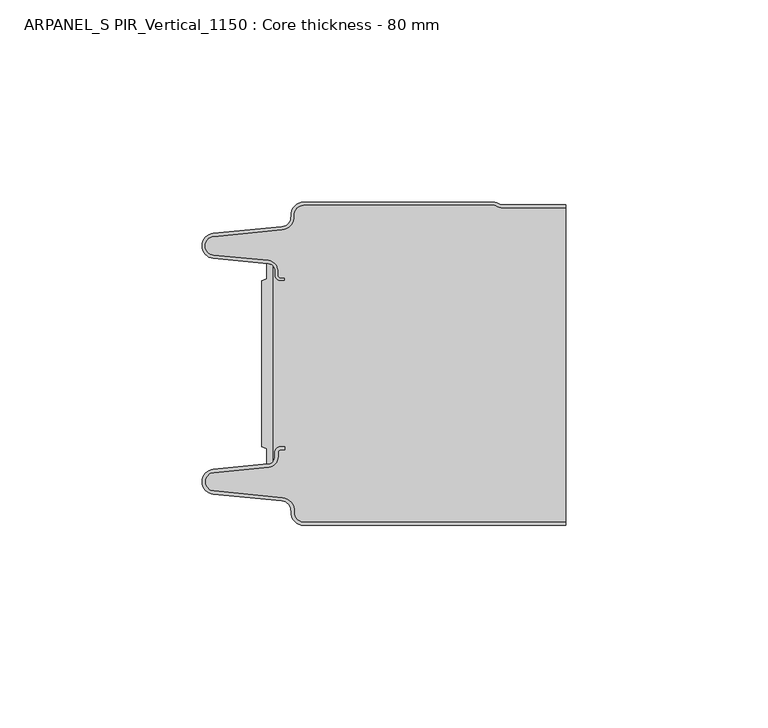
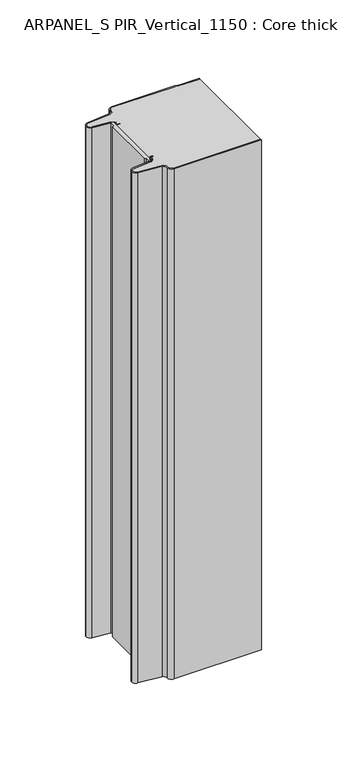
"""IFC4 building model written with IfcOpenShell, lengths in millimetres: plate geometry, ARPANEL_S PIR_Vertical_1150 : Core thickness - 80 mm."""

import ifcopenshell
import ifcopenshell.guid

model = None  # the IFC model being written
_history = None  # IfcOwnerHistory: only IFC2X3 demands one
_inside = {}  # id of a spatial element -> (the spatial element, [elements in it])
_under = {}  # id of a project, library or spatial element -> (it, [spatial elements below it])
_declared = {}  # id of a project -> (the project, [libraries it declares])
_typed = {}  # id of a type object -> (the type object, [elements of that type])
_made_of = {}  # id of a material, layer set ... -> (it, [elements and type objects made of it])


def new_model(schema):
    """Start an empty IFC model of exactly this schema.

    Asked for "IFC4X3", IfcOpenShell would pick the latest addendum, in which some entities
    have other attributes; the version numbers below select the first issue.
    IFC2X3 requires an IfcOwnerHistory on every rooted entity: one is made here for all.
    """
    global model, _history
    if schema == "IFC4X3":
        model = ifcopenshell.file(schema_version=(4, 3, 0, 0))
    else:
        model = ifcopenshell.file(schema=schema)
    _inside.clear()
    _under.clear()
    _declared.clear()
    _typed.clear()
    _made_of.clear()
    _history = None
    if model.schema == "IFC2X3":
        org = make("IfcOrganization", Name="unknown")
        user = make(
            "IfcPersonAndOrganization",
            ThePerson=make("IfcPerson", FamilyName="unknown"),
            TheOrganization=org,
        )
        app = make(
            "IfcApplication",
            ApplicationDeveloper=org,
            Version="unknown",
            ApplicationFullName="unknown",
            ApplicationIdentifier="unknown",
        )
        _history = make(
            "IfcOwnerHistory",
            OwningUser=user,
            OwningApplication=app,
            ChangeAction="ADDED",
            CreationDate=0,
        )
    return model


def make(cls, **values):
    """One entity of the class cls with the attributes given. An attribute that is None is left unset."""
    return model.create_entity(
        cls, **{name: value for name, value in values.items() if value is not None}
    )


def rooted(cls, **values):
    """An entity with a GlobalId (a new one), such as an element, a storey or a relation."""
    return make(cls, GlobalId=ifcopenshell.guid.new(), OwnerHistory=_history, **values)


def si_unit(unit_type, name, prefix=None):
    """IfcSIUnit, for example si_unit("LENGTHUNIT", "METRE", prefix="MILLI")."""
    return make("IfcSIUnit", UnitType=unit_type, Prefix=prefix, Name=name)


def assignment(units):
    """IfcUnitAssignment: the units of a project."""
    return None if units is None else make("IfcUnitAssignment", Units=units)


def point(xyz):
    """IfcCartesianPoint."""
    return None if xyz is None else make("IfcCartesianPoint", Coordinates=xyz)


def direction(xyz):
    """IfcDirection."""
    return None if xyz is None else make("IfcDirection", DirectionRatios=xyz)


def frame(location, z_axis=None, x_axis=None):
    """IfcAxis2Placement3D, a coordinate frame: its origin and axes. An axis left out is left unset."""
    return make(
        "IfcAxis2Placement3D",
        Location=point(location),
        Axis=direction(z_axis),
        RefDirection=direction(x_axis),
    )


def frame_2d(location, x_axis=None):
    """IfcAxis2Placement2D, a coordinate frame in the plane: its origin and x axis."""
    return make(
        "IfcAxis2Placement2D", Location=point(location), RefDirection=direction(x_axis)
    )


def origin():
    """The frame at (0, 0, 0) with its axes left unset."""
    return frame((0.0, 0.0, 0.0))


def origin_with_axes():
    """The frame at (0, 0, 0) with the z axis (0, 0, 1) and the x axis (1, 0, 0) written out."""
    return frame((0.0, 0.0, 0.0), z_axis=(0.0, 0.0, 1.0), x_axis=(1.0, 0.0, 0.0))


def place(relative_to, where):
    """IfcLocalPlacement: puts the frame where relative to a parent placement (None: the world)."""
    return make(
        "IfcLocalPlacement", PlacementRelTo=relative_to, RelativePlacement=where
    )


def context(
    kind, dimensions, precision=None, world=None, true_north=None, identifier=None
):
    """IfcGeometricRepresentationContext, for example the 3D "Model" context."""
    return make(
        "IfcGeometricRepresentationContext",
        ContextIdentifier=identifier,
        ContextType=kind,
        CoordinateSpaceDimension=dimensions,
        Precision=precision,
        WorldCoordinateSystem=world,
        TrueNorth=true_north,
    )


def project(units=None, contexts=None):
    """IfcProject with its units and contexts."""
    return rooted(
        "IfcProject",
        Name="project",
        RepresentationContexts=contexts,
        UnitsInContext=assignment(units),
    )


def spatial(cls, under=None, at=None, **own):
    """A site, building, storey or space (cls), placed at a placement, below another one or the project."""
    s = rooted(cls, ObjectPlacement=at, **own)
    if under is not None:
        _under.setdefault(under.id(), (under, []))[1].append(s)
    return s


def polyline(points):
    """IfcPolyline through the points."""
    return make("IfcPolyline", Points=[point(p) for p in points])


def circle_curve(where, radius):
    """IfcCircle in the frame where."""
    return make("IfcCircle", Position=where, Radius=radius)


def trimmed(basis, trim1, trim2, sense, master):
    """IfcTrimmedCurve: the piece of a basis curve between two trims."""
    return make(
        "IfcTrimmedCurve",
        BasisCurve=basis,
        Trim1=trim1,
        Trim2=trim2,
        SenseAgreement=sense,
        MasterRepresentation=master,
    )


def segment(curve, same_sense, transition):
    """IfcCompositeCurveSegment."""
    return make(
        "IfcCompositeCurveSegment",
        Transition=transition,
        SameSense=same_sense,
        ParentCurve=curve,
    )


def composite_curve(segments, self_intersect=None):
    """IfcCompositeCurve: segments joined end to end."""
    return make("IfcCompositeCurve", Segments=segments, SelfIntersect=self_intersect)


def outline(outer, holes=None, kind="AREA"):
    """IfcArbitraryClosedProfileDef: a profile drawn as a closed curve; with holes, ...WithVoids."""
    if holes is None:
        return make("IfcArbitraryClosedProfileDef", ProfileType=kind, OuterCurve=outer)
    return make(
        "IfcArbitraryProfileDefWithVoids",
        ProfileType=kind,
        OuterCurve=outer,
        InnerCurves=holes,
    )


def extrude(swept, where, along, depth):
    """IfcExtrudedAreaSolid: the profile swept, set in the frame where, extruded along a direction by depth."""
    return make(
        "IfcExtrudedAreaSolid",
        SweptArea=swept,
        Position=where,
        ExtrudedDirection=direction(along),
        Depth=depth,
    )


def shape(context_of_items, identifier, shape_type, items):
    """IfcShapeRepresentation: the items that make up one representation, for example the "Body"."""
    return make(
        "IfcShapeRepresentation",
        ContextOfItems=context_of_items,
        RepresentationIdentifier=identifier,
        RepresentationType=shape_type,
        Items=items,
    )


def source(mapping_origin, context_of_items, identifier, shape_type, items):
    """IfcRepresentationMap: a shape defined once, which mapped items show again and again."""
    return make(
        "IfcRepresentationMap",
        MappingOrigin=mapping_origin,
        MappedRepresentation=shape(context_of_items, identifier, shape_type, items),
    )


def transform(
    local_origin,
    x_axis=None,
    y_axis=None,
    z_axis=None,
    scale=None,
    scale2=None,
    scale3=None,
    uniform=True,
):
    """IfcCartesianTransformationOperator3D, or its non-uniform kind. x_axis, y_axis, z_axis: its Axis1, 2, 3."""
    if uniform:
        return make(
            "IfcCartesianTransformationOperator3D",
            Axis1=direction(x_axis),
            Axis2=direction(y_axis),
            LocalOrigin=point(local_origin),
            Scale=scale,
            Axis3=direction(z_axis),
        )
    return make(
        "IfcCartesianTransformationOperator3DnonUniform",
        Axis1=direction(x_axis),
        Axis2=direction(y_axis),
        LocalOrigin=point(local_origin),
        Scale=scale,
        Axis3=direction(z_axis),
        Scale2=scale2,
        Scale3=scale3,
    )


def mapped(mapping_source, mapping_target):
    """IfcMappedItem: shows the shape of a source again, moved by a transform."""
    return make(
        "IfcMappedItem", MappingSource=mapping_source, MappingTarget=mapping_target
    )


def made_of(thing, what):
    """Note that an element or type object is made of a material, layer set ...; save() writes the relation."""
    if what is not None:
        _made_of.setdefault(what.id(), (what, []))[1].append(thing)
    return thing


def element(
    cls,
    number,
    at=None,
    inside=None,
    cuts=None,
    type_object=None,
    material=None,
    context=None,
    identifier="Body",
    shape_type=None,
    held_by="IfcProductDefinitionShape",
    body=None,
    shapes=None,
    **own,
):
    """One element of the class cls, such as IfcWall. Its Tag is "e" and its number.

    at: its placement. inside: the storey or other place that contains it. cuts: it is an
    opening in that element (IfcRelVoidsElement). A single representation is given by context,
    identifier, shape_type and body (its items); several are given by shapes. held_by: the class
    of the entity that holds the representations. save() writes the other relations.
    """
    e = rooted(cls, Tag="e%d" % number, ObjectPlacement=at, **own)
    if body is not None:
        shapes = [shape(context, identifier, shape_type, body)]
    if shapes is not None:
        e.Representation = make(held_by, Representations=shapes)
    if inside is not None:
        _inside.setdefault(inside.id(), (inside, []))[1].append(e)
    if cuts is not None:
        rooted(
            "IfcRelVoidsElement", RelatingBuildingElement=cuts, RelatedOpeningElement=e
        )
    if type_object is not None:
        _typed.setdefault(type_object.id(), (type_object, []))[1].append(e)
    return made_of(e, material)


def aggregate(whole, parts):
    """IfcRelAggregates: a whole, such as a stair, and the parts it consists of."""
    return rooted("IfcRelAggregates", RelatingObject=whole, RelatedObjects=parts)


def save(model, path):
    """Write the relations noted so far, then the file.

    IfcRelAggregates (storeys below a building ...), IfcRelContainedInSpatialStructure (elements
    in a storey), IfcRelDefinesByType, IfcRelAssociatesMaterial and IfcRelDeclares: one each for
    every whole, place, type object, material and project.
    """
    for whole, parts in _under.values():
        aggregate(whole, parts)
    for where, things in _inside.values():
        rooted(
            "IfcRelContainedInSpatialStructure",
            RelatedElements=things,
            RelatingStructure=where,
        )
    for kind, things in _typed.values():
        rooted("IfcRelDefinesByType", RelatedObjects=things, RelatingType=kind)
    for what, things in _made_of.values():
        rooted("IfcRelAssociatesMaterial", RelatedObjects=things, RelatingMaterial=what)
    for by, libraries in _declared.values():
        rooted("IfcRelDeclares", RelatingContext=by, RelatedDefinitions=libraries)
    model.write(path)


def plane_surface(at):
    """IfcPlane: the flat surface through the origin of the frame at, square to its z axis."""
    return make("IfcPlane", Position=at)


def cylinder_surface(at, radius):
    """IfcCylindricalSurface: all points at the distance radius from the z axis of the frame at."""
    return make("IfcCylindricalSurface", Position=at, Radius=radius)


def revolved_surface(curve, axis_point, axis_direction):
    """IfcSurfaceOfRevolution: the curve turned about the line through axis_point along axis_direction."""
    return make(
        "IfcSurfaceOfRevolution",
        SweptCurve=make("IfcArbitraryOpenProfileDef", ProfileType="CURVE", Curve=curve),
        AxisPosition=make("IfcAxis1Placement", Location=point(axis_point), Axis=direction(axis_direction)),
    )


def advanced_brep(points, edges, surfaces, faces):
    """IfcAdvancedBrep: a solid bounded by faces that lie on surfaces and meet in shared edges.

    An edge is (start, end): straight between two places in points (the first is 0);
    or (start, end, curve); or (start, end, curve, False) where it runs against its curve.
    A face is (place in surfaces, loops), or (place, loops, False) where it looks against
    its surface's normal. A loop lists edges by number (the first is 1), with a minus sign
    where the edge is run from its end to its start. The first loop is the outer one.
    """
    corners = [point(p) for p in points]
    vertices = [make("IfcVertexPoint", VertexGeometry=c) for c in corners]
    made = []
    for start, end, *more in edges:
        made.append(
            make(
                "IfcEdgeCurve",
                EdgeStart=vertices[start],
                EdgeEnd=vertices[end],
                EdgeGeometry=more[0] if more else make("IfcPolyline", Points=[corners[start], corners[end]]),
                SameSense=more[1] if len(more) > 1 else True,
            )
        )
    hull = []
    for where, loops, *sense in faces:
        bounds = []
        for j, loop in enumerate(loops):
            ring = [make("IfcOrientedEdge", EdgeElement=made[abs(k) - 1], Orientation=k > 0) for k in loop]
            bounds.append(
                make(
                    "IfcFaceOuterBound" if j == 0 else "IfcFaceBound",
                    Bound=make("IfcEdgeLoop", EdgeList=ring),
                    Orientation=True,
                )
            )
        hull.append(make("IfcAdvancedFace", Bounds=bounds, FaceSurface=surfaces[where], SameSense=sense[0] if sense else True))
    return make("IfcAdvancedBrep", Outer=make("IfcClosedShell", CfsFaces=hull))


def arpanel_s_pir_vertical_1150_core_thickness_80_mm_38085c32(model_context):
    return source(origin(), model_context, "Body", "SolidModel", [
        extrude(outline(composite_curve([segment(polyline([(-30.2854621, -19.4639745), (-29.0682893, -19.0209598), (-29.0682893, -15.20918)]), True, "CONTINUOUS"), segment(trimmed(circle_curve(frame_2d((-28.9194754, -17.302662)), 2.0987645), [point((-29.0682893, -15.20918))], [point((-27.4659308, -15.7887199))], False, "CARTESIAN"), True, "CONTINUOUS"), segment(polyline([(-27.4659308, -15.7887199), (-27.4659308, -64.2112801)]), True, "CONTINUOUS"), segment(trimmed(circle_curve(frame_2d((-28.9194754, -62.697338)), 2.0987645), [point((-27.4659308, -64.2112801))], [point((-29.0682893, -64.79082))], False, "CARTESIAN"), True, "CONTINUOUS"), segment(polyline([(-29.0682893, -64.79082), (-29.0682893, -60.9790402), (-30.2854621, -60.5360255), (-30.2854621, -19.4639745)]), True, "CONTINUOUS")], self_intersect=False)), origin_with_axes(), (0.0, 0.0, 1.0), 400.0),
        advanced_brep(
        [(-19.8000003, -79.9996949, 0.0), (-22.9923632, -76.5787437, 0.0), (-25.2560431, -73.9171154, 0.0), (-42.2115315, -72.2546153, 0.0), (-44.9999998, -69.1776715, 0.0), (-42.2115315, -66.1007278, 0.0), (-28.6195785, -64.7680252, 0.0), (-26.9952277, -62.9766159, 0.0), (-26.9952277, -61.8996949, 0.0), (-25.5952277, -60.4996949, 0.0), (-24.4952277, -60.4996949, 0.0), (-24.4952277, -61.2996949, 0.0), (-25.5952277, -61.2996949, 0.0), (-26.1952277, -61.8996949, 0.0), (-26.1952277, -62.9766159, 0.0), (-28.5415122, -65.5642071, 0.0), (-42.1334652, -66.8969097, 0.0), (-44.1999997, -69.1776715, 0.0), (-42.1334652, -71.4584333, 0.0), (-25.1779767, -73.1209335, 0.0), (-22.2078761, -76.6330399, 0.0), (-19.8000003, -79.1996949, 0.0), (44.9999998, -79.2, 0.0), (44.9999998, -79.9996949, 0.0), (-19.8000003, -79.1996949, 400.0), (-22.1942724, -76.6339815, 400.0), (-25.1779767, -73.1209335, 400.0), (-42.1334652, -71.4584333, 400.0), (-44.1999997, -69.1776715, 400.0), (-42.1334652, -66.8969097, 400.0), (-28.5415122, -65.5642071, 400.0), (-26.1952277, -62.9766159, 400.0), (-26.1952277, -61.8996949, 400.0), (-25.5952277, -61.2996949, 400.0), (-24.4952277, -61.2996949, 400.0), (-24.4952277, -60.4996949, 400.0), (-25.5952277, -60.4996949, 400.0), (-26.9952277, -61.8996949, 400.0), (-26.9952277, -62.9766159, 400.0), (-28.6195785, -64.7680252, 400.0), (-42.2115315, -66.1007278, 400.0), (-44.9999998, -69.1776715, 400.0), (-42.2115315, -72.2546153, 400.0), (-25.2560431, -73.9171154, 400.0), (-23.0059668, -76.5778021, 400.0), (-19.8000003, -79.9996949, 400.0), (44.9999998, -79.9996949, 400.0), (44.9999998, -79.2, 400.0)],
        [
            (0, 1, circle_curve(frame((-19.8000003, -76.7996949, 0.0), z_axis=(0.0, 0.0, -1.0), x_axis=(1.0, 0.0, 0.0)), 3.2)),
            (1, 2, circle_curve(frame((-25.5000003, -76.4051839, 0.0), z_axis=(0.0, 0.0, 1.0), x_axis=(1.0, 0.0, 0.0)), 2.5)),
            (2, 3),
            (3, 4, circle_curve(frame((-41.9100003, -69.1793626, 0.0), z_axis=(0.0, 0.0, -1.0), x_axis=(1.0, 0.0, 0.0)), 3.09)),
            (4, 5, circle_curve(frame((-41.9100003, -69.1759805, 0.0), z_axis=(0.0, 0.0, -1.0), x_axis=(1.0, 0.0, 0.0)), 3.09)),
            (5, 6),
            (6, 7, circle_curve(frame((-28.7952277, -62.9766159, 0.0), z_axis=(0.0, 0.0, 1.0), x_axis=(1.0, 0.0, 0.0)), 1.8)),
            (7, 8),
            (8, 9, circle_curve(frame((-25.5952277, -61.8996949, 0.0), z_axis=(0.0, 0.0, -1.0), x_axis=(1.0, 0.0, 0.0)), 1.4)),
            (9, 10),
            (10, 11),
            (11, 12),
            (12, 13, circle_curve(frame((-25.5952277, -61.8996949, 0.0), z_axis=(0.0, 0.0, 1.0), x_axis=(1.0, 0.0, 0.0)), 0.6)),
            (13, 14),
            (14, 15, circle_curve(frame((-28.7952277, -62.9766159, 0.0), z_axis=(0.0, 0.0, -1.0), x_axis=(1.0, 0.0, 0.0)), 2.6)),
            (15, 16),
            (16, 17, circle_curve(frame((-41.9100003, -69.1759805, 0.0), z_axis=(0.0, 0.0, 1.0), x_axis=(1.0, 0.0, 0.0)), 2.29)),
            (17, 18, circle_curve(frame((-41.9100003, -69.1793626, 0.0), z_axis=(0.0, 0.0, 1.0), x_axis=(1.0, 0.0, 0.0)), 2.29)),
            (18, 19),
            (19, 20, circle_curve(frame((-25.5000003, -76.4051839, 0.0), z_axis=(0.0, 0.0, -1.0), x_axis=(1.0, 0.0, 0.0)), 3.3)),
            (20, 21, circle_curve(frame((-19.8000003, -76.7996949, 0.0), z_axis=(0.0, 0.0, 1.0), x_axis=(1.0, 0.0, 0.0)), 2.4)),
            (21, 22),
            (22, 23),
            (23, 0),
            (24, 25, circle_curve(frame((-19.8000003, -76.7996949, 400.0), z_axis=(0.0, 0.0, -1.0), x_axis=(1.0, 0.0, 0.0)), 2.4)),
            (25, 26, circle_curve(frame((-25.5000003, -76.4051839, 400.0), z_axis=(0.0, 0.0, 1.0), x_axis=(1.0, 0.0, 0.0)), 3.3)),
            (26, 27),
            (27, 28, circle_curve(frame((-41.9100003, -69.1793626, 400.0), z_axis=(0.0, 0.0, -1.0), x_axis=(1.0, 0.0, 0.0)), 2.29)),
            (28, 29, circle_curve(frame((-41.9100003, -69.1759805, 400.0), z_axis=(0.0, 0.0, -1.0), x_axis=(1.0, 0.0, 0.0)), 2.29)),
            (29, 30),
            (30, 31, circle_curve(frame((-28.7952277, -62.9766159, 400.0), z_axis=(0.0, 0.0, 1.0), x_axis=(1.0, 0.0, 0.0)), 2.6)),
            (31, 32),
            (32, 33, circle_curve(frame((-25.5952277, -61.8996949, 400.0), z_axis=(0.0, 0.0, -1.0), x_axis=(1.0, 0.0, 0.0)), 0.6)),
            (33, 34),
            (34, 35),
            (35, 36),
            (36, 37, circle_curve(frame((-25.5952277, -61.8996949, 400.0), z_axis=(0.0, 0.0, 1.0), x_axis=(1.0, 0.0, 0.0)), 1.4)),
            (37, 38),
            (38, 39, circle_curve(frame((-28.7952277, -62.9766159, 400.0), z_axis=(0.0, 0.0, -1.0), x_axis=(1.0, 0.0, 0.0)), 1.8)),
            (39, 40),
            (40, 41, circle_curve(frame((-41.9100003, -69.1759805, 400.0), z_axis=(0.0, 0.0, 1.0), x_axis=(1.0, 0.0, 0.0)), 3.09)),
            (41, 42, circle_curve(frame((-41.9100003, -69.1793626, 400.0), z_axis=(0.0, 0.0, 1.0), x_axis=(1.0, 0.0, 0.0)), 3.09)),
            (42, 43),
            (43, 44, circle_curve(frame((-25.5000003, -76.4051839, 400.0), z_axis=(0.0, 0.0, -1.0), x_axis=(1.0, 0.0, 0.0)), 2.5)),
            (44, 45, circle_curve(frame((-19.8000003, -76.7996949, 400.0), z_axis=(0.0, 0.0, 1.0), x_axis=(1.0, 0.0, 0.0)), 3.2)),
            (45, 46),
            (46, 47),
            (47, 24),
            (21, 24),
            (47, 22),
            (20, 25),
            (19, 26),
            (18, 27),
            (17, 28),
            (16, 29),
            (15, 30),
            (14, 31),
            (13, 32),
            (12, 33),
            (11, 34),
            (10, 35),
            (9, 36),
            (8, 37),
            (7, 38),
            (6, 39),
            (5, 40),
            (4, 41),
            (3, 42),
            (2, 43),
            (1, 44),
            (0, 45),
            (23, 46),
        ],
        [
            plane_surface(frame((-44.9999998, -80.0, 0.0), z_axis=(0.0, 0.0, -1.0), x_axis=(0.0, 1.0, 0.0))),
            plane_surface(frame((-44.9999998, -80.0, 400.0), z_axis=(0.0, 0.0, 1.0), x_axis=(0.0, 1.0, 0.0))),
            plane_surface(frame((-19.8000003, -79.2, 0.0), z_axis=(0.0, 1.0, 0.0), x_axis=(0.0, 0.0, 1.0))),
            revolved_surface(polyline([(-17.400000300000002, -76.7996949, 400.0), (-17.400000300000002, -76.7996949, 0.0)]), (-19.8000003, -76.7996949, 0.0), (0.0, 0.0, 1.0)),
            cylinder_surface(frame((-25.5000003, -76.4051839, 0.0), z_axis=(0.0, 0.0, -1.0), x_axis=(1.0, 0.0, 0.0)), 3.3),
            plane_surface(frame((-42.1334652, -71.4584333, 0.0), z_axis=(0.09758289975914758, 0.9952273999818314, 0.0), x_axis=(0.0, 0.0, 1.0))),
            revolved_surface(polyline([(-39.6200003, -69.1793626, 400.0), (-39.6200003, -69.1793626, 0.0)]), (-41.9100003, -69.1793626, 0.0), (0.0, 0.0, 1.0)),
            revolved_surface(polyline([(-39.6200003, -69.1759805, 400.0), (-39.6200003, -69.1759805, 0.0)]), (-41.9100003, -69.1759805, 0.0), (0.0, 0.0, 1.0)),
            plane_surface(frame((-28.5415122, -65.5642071, 0.0), z_axis=(0.09758289975914383, -0.9952273999818317, 0.0), x_axis=(0.0, 0.0, 1.0))),
            cylinder_surface(frame((-28.7952277, -62.9766159, 0.0), z_axis=(0.0, 0.0, -1.0), x_axis=(1.0, 0.0, 0.0)), 2.6),
            plane_surface(frame((-26.1952277, -61.8996949, 0.0), z_axis=(1.0, 0.0, 0.0), x_axis=(0.0, 0.0, 1.0))),
            revolved_surface(polyline([(-24.995227699999997, -61.8996949, 400.0), (-24.995227699999997, -61.8996949, 0.0)]), (-25.5952277, -61.8996949, 0.0), (0.0, 0.0, 1.0)),
            plane_surface(frame((-24.4952277, -61.2996949, 0.0), z_axis=(0.0, -1.0, 0.0), x_axis=(0.0, 0.0, 1.0))),
            plane_surface(frame((-24.4952277, -60.4996949, 0.0), z_axis=(1.0, 0.0, 0.0), x_axis=(0.0, 0.0, 1.0))),
            plane_surface(frame((-25.5952277, -60.4996949, 0.0), z_axis=(0.0, 1.0, 0.0), x_axis=(0.0, 0.0, 1.0))),
            cylinder_surface(frame((-25.5952277, -61.8996949, 0.0), z_axis=(0.0, 0.0, -1.0), x_axis=(1.0, 0.0, 0.0)), 1.4),
            plane_surface(frame((-26.9952277, -62.9766159, 0.0), z_axis=(-1.0, 0.0, 0.0), x_axis=(0.0, 0.0, 1.0))),
            revolved_surface(polyline([(-26.9952277, -62.9766159, 400.0), (-26.9952277, -62.9766159, 0.0)]), (-28.7952277, -62.9766159, 0.0), (0.0, 0.0, 1.0)),
            plane_surface(frame((-42.2115315, -66.1007278, 0.0), z_axis=(-0.09758289975914387, 0.9952273999818317, 0.0), x_axis=(0.0, 0.0, 1.0))),
            cylinder_surface(frame((-41.9100003, -69.1759805, 0.0), z_axis=(0.0, 0.0, -1.0), x_axis=(1.0, 0.0, 0.0)), 3.09),
            cylinder_surface(frame((-41.9100003, -69.1793626, 0.0), z_axis=(0.0, 0.0, -1.0), x_axis=(1.0, 0.0, 0.0)), 3.09),
            plane_surface(frame((-25.2560431, -73.9171154, 0.0), z_axis=(-0.09758289975914762, -0.9952273999818314, 0.0), x_axis=(0.0, 0.0, 1.0))),
            revolved_surface(polyline([(-23.0000003, -76.4051839, 400.0), (-23.0000003, -76.4051839, 0.0)]), (-25.5000003, -76.4051839, 0.0), (0.0, 0.0, 1.0)),
            cylinder_surface(frame((-19.8000003, -76.7996949, 0.0), z_axis=(0.0, 0.0, -1.0), x_axis=(1.0, 0.0, 0.0)), 3.2),
            plane_surface(frame((1121.009932, -79.9996949, 0.0), z_axis=(0.0, -1.0, 0.0), x_axis=(0.0, 0.0, 1.0))),
            plane_surface(frame((44.9999998, 180.0, 400.0), z_axis=(1.0, 0.0, 0.0), x_axis=(0.0, 0.0, -1.0))),
        ],
        [
            (0, [[1, 2, 3, 4, 5, 6, 7, 8, 9, 10, 11, 12, 13, 14, 15, 16, 17, 18, 19, 20, 21, 22, 23, 24]]),
            (1, [[25, 26, 27, 28, 29, 30, 31, 32, 33, 34, 35, 36, 37, 38, 39, 40, 41, 42, 43, 44, 45, 46, 47, 48]]),
            (2, [[49, -48, 50, -22]]),
            (3, [[-21, 51, -25, -49]]),
            (4, [[-20, 52, -26, -51]]),
            (5, [[-19, 53, -27, -52]]),
            (6, [[-18, 54, -28, -53]]),
            (7, [[-17, 55, -29, -54]]),
            (8, [[-16, 56, -30, -55]]),
            (9, [[-15, 57, -31, -56]]),
            (10, [[-14, 58, -32, -57]]),
            (11, [[-13, 59, -33, -58]]),
            (12, [[-12, 60, -34, -59]]),
            (13, [[-11, 61, -35, -60]]),
            (14, [[-10, 62, -36, -61]]),
            (15, [[-9, 63, -37, -62]]),
            (16, [[-8, 64, -38, -63]]),
            (17, [[-7, 65, -39, -64]]),
            (18, [[-6, 66, -40, -65]]),
            (19, [[-5, 67, -41, -66]]),
            (20, [[-4, 68, -42, -67]]),
            (21, [[-3, 69, -43, -68]]),
            (22, [[-2, 70, -44, -69]]),
            (23, [[-1, 71, -45, -70]]),
            (24, [[-71, -24, 72, -46]]),
            (25, [[-23, -50, -47, -72]]),
        ],
    ),
        advanced_brep(
        [(-26.9952277, -17.0233841, 400.0), (-27.4671027, -15.8084422, 400.0), (-27.4671027, -64.1915578, 400.0), (-26.9952277, -62.9766159, 400.0), (-26.9952277, -61.8996949, 400.0), (-25.5952277, -60.4996949, 400.0), (-24.4952277, -60.4996949, 400.0), (-24.4952277, -61.2996949, 400.0), (-25.5952277, -61.2996949, 400.0), (-26.1952277, -61.8996949, 400.0), (-26.1952277, -62.9766159, 400.0), (-28.5415122, -65.5642071, 400.0), (-42.1334652, -66.8969097, 400.0), (-44.1999997, -69.1776715, 400.0), (-42.1334652, -71.4584333, 400.0), (-25.1779767, -73.1209335, 400.0), (-22.2078761, -76.6330399, 400.0), (-19.8000003, -79.1996949, 400.0), (44.9999998, -79.2, 400.0), (44.9999998, -1.5003051, 400.0), (29.4172165, -1.5003051, 400.0), (27.9978051, -1.0971009, 400.0), (26.9454197, -0.8, 400.0), (-19.8000003, -0.8, 400.0), (-22.1942724, -3.3660185, 400.0), (-25.1779767, -6.8790665, 400.0), (-42.1334652, -8.5415667, 400.0), (-44.1999997, -10.8223285, 400.0), (-42.1334652, -13.1030903, 400.0), (-28.5415122, -14.4357929, 400.0), (-26.1952277, -17.0233841, 400.0), (-26.1952277, -18.1003051, 400.0), (-25.5952277, -18.7003051, 400.0), (-24.4952277, -18.7003051, 400.0), (-24.4952277, -19.5003051, 400.0), (-25.5952277, -19.5003051, 400.0), (-26.9952277, -18.1003051, 400.0), (-27.4671027, -15.8084422, 0.0), (-26.9952277, -17.0233841, 0.0), (-26.9952277, -18.1003051, 0.0), (-25.5952277, -19.5003051, 0.0), (-24.4952277, -19.5003051, 0.0), (-24.4952277, -18.7003051, 0.0), (-25.5952277, -18.7003051, 0.0), (-26.1952277, -18.1003051, 0.0), (-26.1952277, -17.0233841, 0.0), (-28.5415122, -14.4357929, 0.0), (-42.1334652, -13.1030903, 0.0), (-44.1999997, -10.8223285, 0.0), (-42.1334652, -8.5415667, 0.0), (-25.1779767, -6.8790665, 0.0), (-22.2078761, -3.3669601, 0.0), (-19.8000003, -0.8003051, 0.0), (26.9454197, -0.8, 0.0), (27.9968355, -1.0986697, 0.0), (29.4172165, -1.5003051, 0.0), (44.9999998, -1.5003051, 0.0), (44.9999998, -79.2, 0.0), (-19.8000003, -79.2, 0.0), (-22.1942724, -76.6339815, 0.0), (-25.1779767, -73.1209335, 0.0), (-42.1334652, -71.4584333, 0.0), (-44.1999997, -69.1776715, 0.0), (-42.1334652, -66.8969097, 0.0), (-28.5415122, -65.5642071, 0.0), (-26.1952277, -62.9766159, 0.0), (-26.1952277, -61.8996949, 0.0), (-25.5952277, -61.2996949, 0.0), (-24.4952277, -61.2996949, 0.0), (-24.4952277, -60.4996949, 0.0), (-25.5952277, -60.4996949, 0.0), (-26.9952277, -61.8996949, 0.0), (-26.9952277, -62.9766159, 0.0), (-27.4671027, -64.1915578, 0.0)],
        [
            (0, 1, circle_curve(frame((-28.7952277, -17.0233841, 400.0), z_axis=(0.0, 0.0, 1.0), x_axis=(1.0, 0.0, 0.0)), 1.8)),
            (1, 2),
            (2, 3, circle_curve(frame((-28.7952277, -62.9766159, 400.0), z_axis=(0.0, 0.0, 1.0), x_axis=(1.0, 0.0, 0.0)), 1.8)),
            (3, 4),
            (4, 5, circle_curve(frame((-25.5952277, -61.8996949, 400.0), z_axis=(0.0, 0.0, -1.0), x_axis=(1.0, 0.0, 0.0)), 1.4)),
            (5, 6),
            (6, 7),
            (7, 8),
            (8, 9, circle_curve(frame((-25.5952277, -61.8996949, 400.0), z_axis=(0.0, 0.0, 1.0), x_axis=(1.0, 0.0, 0.0)), 0.6)),
            (9, 10),
            (10, 11, circle_curve(frame((-28.7952277, -62.9766159, 400.0), z_axis=(0.0, 0.0, -1.0), x_axis=(1.0, 0.0, 0.0)), 2.6)),
            (11, 12),
            (12, 13, circle_curve(frame((-41.9100003, -69.1759805, 400.0), z_axis=(0.0, 0.0, 1.0), x_axis=(1.0, 0.0, 0.0)), 2.29)),
            (13, 14, circle_curve(frame((-41.9100003, -69.1793626, 400.0), z_axis=(0.0, 0.0, 1.0), x_axis=(1.0, 0.0, 0.0)), 2.29)),
            (14, 15),
            (15, 16, circle_curve(frame((-25.5000003, -76.4051839, 400.0), z_axis=(0.0, 0.0, -1.0), x_axis=(1.0, 0.0, 0.0)), 3.3)),
            (16, 17, circle_curve(frame((-19.8000003, -76.7996949, 400.0), z_axis=(0.0, 0.0, 1.0), x_axis=(1.0, 0.0, 0.0)), 2.4)),
            (17, 18),
            (18, 19),
            (19, 20),
            (20, 21, circle_curve(frame((29.4172165, 1.1996949, 400.0), z_axis=(0.0, 0.0, -1.0), x_axis=(1.0, 0.0, 0.0)), 2.7)),
            (21, 22, circle_curve(frame((26.9454197, -2.8, 400.0), z_axis=(0.0, 0.0, 1.0), x_axis=(1.0, 0.0, 0.0)), 2.0)),
            (22, 23),
            (23, 24, circle_curve(frame((-19.8000003, -3.2003051, 400.0), z_axis=(0.0, 0.0, 1.0), x_axis=(1.0, 0.0, 0.0)), 2.4)),
            (24, 25, circle_curve(frame((-25.5000003, -3.5948161, 400.0), z_axis=(0.0, 0.0, -1.0), x_axis=(1.0, 0.0, 0.0)), 3.3)),
            (25, 26),
            (26, 27, circle_curve(frame((-41.9100003, -10.8206374, 400.0), z_axis=(0.0, 0.0, 1.0), x_axis=(1.0, 0.0, 0.0)), 2.29)),
            (27, 28, circle_curve(frame((-41.9100003, -10.8240195, 400.0), z_axis=(0.0, 0.0, 1.0), x_axis=(1.0, 0.0, 0.0)), 2.29)),
            (28, 29),
            (29, 30, circle_curve(frame((-28.7952277, -17.0233841, 400.0), z_axis=(0.0, 0.0, -1.0), x_axis=(1.0, 0.0, 0.0)), 2.6)),
            (30, 31),
            (31, 32, circle_curve(frame((-25.5952277, -18.1003051, 400.0), z_axis=(0.0, 0.0, 1.0), x_axis=(1.0, 0.0, 0.0)), 0.6)),
            (32, 33),
            (33, 34),
            (34, 35),
            (35, 36, circle_curve(frame((-25.5952277, -18.1003051, 400.0), z_axis=(0.0, 0.0, -1.0), x_axis=(1.0, 0.0, 0.0)), 1.4)),
            (36, 0),
            (37, 38, circle_curve(frame((-28.7952277, -17.0233841, 0.0), z_axis=(0.0, 0.0, -1.0), x_axis=(1.0, 0.0, 0.0)), 1.8)),
            (38, 39),
            (39, 40, circle_curve(frame((-25.5952277, -18.1003051, 0.0), z_axis=(0.0, 0.0, 1.0), x_axis=(1.0, 0.0, 0.0)), 1.4)),
            (40, 41),
            (41, 42),
            (42, 43),
            (43, 44, circle_curve(frame((-25.5952277, -18.1003051, 0.0), z_axis=(0.0, 0.0, -1.0), x_axis=(1.0, 0.0, 0.0)), 0.6)),
            (44, 45),
            (45, 46, circle_curve(frame((-28.7952277, -17.0233841, 0.0), z_axis=(0.0, 0.0, 1.0), x_axis=(1.0, 0.0, 0.0)), 2.6)),
            (46, 47),
            (47, 48, circle_curve(frame((-41.9100003, -10.8240195, 0.0), z_axis=(0.0, 0.0, -1.0), x_axis=(1.0, 0.0, 0.0)), 2.29)),
            (48, 49, circle_curve(frame((-41.9100003, -10.8206374, 0.0), z_axis=(0.0, 0.0, -1.0), x_axis=(1.0, 0.0, 0.0)), 2.29)),
            (49, 50),
            (50, 51, circle_curve(frame((-25.5000003, -3.5948161, 0.0), z_axis=(0.0, 0.0, 1.0), x_axis=(1.0, 0.0, 0.0)), 3.3)),
            (51, 52, circle_curve(frame((-19.8000003, -3.2003051, 0.0), z_axis=(0.0, 0.0, -1.0), x_axis=(1.0, 0.0, 0.0)), 2.4)),
            (52, 53),
            (53, 54, circle_curve(frame((26.9454197, -2.8, 0.0), z_axis=(0.0, 0.0, -1.0), x_axis=(1.0, 0.0, 0.0)), 2.0)),
            (54, 55, circle_curve(frame((29.4172165, 1.1996949, 0.0), z_axis=(0.0, 0.0, 1.0), x_axis=(1.0, 0.0, 0.0)), 2.7)),
            (55, 56),
            (56, 57),
            (57, 58),
            (58, 59, circle_curve(frame((-19.8000003, -76.7996949, 0.0), z_axis=(0.0, 0.0, -1.0), x_axis=(1.0, 0.0, 0.0)), 2.4)),
            (59, 60, circle_curve(frame((-25.5000003, -76.4051839, 0.0), z_axis=(0.0, 0.0, 1.0), x_axis=(1.0, 0.0, 0.0)), 3.3)),
            (60, 61),
            (61, 62, circle_curve(frame((-41.9100003, -69.1793626, 0.0), z_axis=(0.0, 0.0, -1.0), x_axis=(1.0, 0.0, 0.0)), 2.29)),
            (62, 63, circle_curve(frame((-41.9100003, -69.1759805, 0.0), z_axis=(0.0, 0.0, -1.0), x_axis=(1.0, 0.0, 0.0)), 2.29)),
            (63, 64),
            (64, 65, circle_curve(frame((-28.7952277, -62.9766159, 0.0), z_axis=(0.0, 0.0, 1.0), x_axis=(1.0, 0.0, 0.0)), 2.6)),
            (65, 66),
            (66, 67, circle_curve(frame((-25.5952277, -61.8996949, 0.0), z_axis=(0.0, 0.0, -1.0), x_axis=(1.0, 0.0, 0.0)), 0.6)),
            (67, 68),
            (68, 69),
            (69, 70),
            (70, 71, circle_curve(frame((-25.5952277, -61.8996949, 0.0), z_axis=(0.0, 0.0, 1.0), x_axis=(1.0, 0.0, 0.0)), 1.4)),
            (71, 72),
            (72, 73, circle_curve(frame((-28.7952277, -62.9766159, 0.0), z_axis=(0.0, 0.0, -1.0), x_axis=(1.0, 0.0, 0.0)), 1.8)),
            (73, 37),
            (1, 37),
            (73, 2),
            (0, 38),
            (36, 39),
            (35, 40),
            (34, 41),
            (42, 33),
            (32, 43),
            (31, 44),
            (30, 45),
            (29, 46),
            (28, 47),
            (27, 48),
            (26, 49),
            (25, 50),
            (24, 51),
            (23, 52),
            (22, 53),
            (21, 54),
            (20, 55),
            (19, 56),
            (17, 58),
            (57, 18),
            (16, 59),
            (15, 60),
            (14, 61),
            (13, 62),
            (12, 63),
            (11, 64),
            (10, 65),
            (9, 66),
            (8, 67),
            (7, 68),
            (6, 69),
            (5, 70),
            (4, 71),
            (3, 72),
        ],
        [
            plane_surface(frame((-44.9999998, 0.0, 400.0), z_axis=(0.0, 0.0, 1.0), x_axis=(0.0, -1.0, 0.0))),
            plane_surface(frame((-44.9999998, 0.0, 0.0), z_axis=(0.0, 0.0, -1.0), x_axis=(0.0, -1.0, 0.0))),
            plane_surface(frame((-27.4671027, -14.998578, 400.0), z_axis=(-1.0, 0.0, 0.0), x_axis=(0.0, 0.0, -1.0))),
            cylinder_surface(frame((-28.7952277, -17.0233841, 530.0), z_axis=(0.0, 0.0, -1.0), x_axis=(1.0, 0.0, 0.0)), 1.8),
            plane_surface(frame((-26.9952277, -17.0233841, 530.0), z_axis=(1.0, 0.0, 0.0), x_axis=(0.0, 0.0, -1.0))),
            revolved_surface(polyline([(-24.1952277, -18.1003051, 400.0), (-24.1952277, -18.1003051, 0.0)]), (-25.5952277, -18.1003051, 530.0), (0.0, 0.0, 1.0)),
            plane_surface(frame((-25.5952277, -19.5003051, 530.0), z_axis=(0.0, 1.0, 0.0), x_axis=(0.0, 0.0, -1.0))),
            plane_surface(frame((-24.4952277, -18.7003051, 530.0), z_axis=(0.0, -1.0, 0.0), x_axis=(0.0, 0.0, -1.0))),
            cylinder_surface(frame((-25.5952277, -18.1003051, 530.0), z_axis=(0.0, 0.0, -1.0), x_axis=(1.0, 0.0, 0.0)), 0.6),
            plane_surface(frame((-26.1952277, -18.1003051, 530.0), z_axis=(-1.0, 0.0, 0.0), x_axis=(0.0, 0.0, -1.0))),
            revolved_surface(polyline([(-26.1952277, -17.0233841, 400.0), (-26.1952277, -17.0233841, 0.0)]), (-28.7952277, -17.0233841, 530.0), (0.0, 0.0, 1.0)),
            plane_surface(frame((-28.5415122, -14.4357929, 530.0), z_axis=(-0.09758289975914705, -0.9952273999818314, 0.0), x_axis=(0.0, 0.0, -1.0))),
            cylinder_surface(frame((-41.9100003, -10.8240195, 530.0), z_axis=(0.0, 0.0, -1.0), x_axis=(1.0, 0.0, 0.0)), 2.29),
            cylinder_surface(frame((-41.9100003, -10.8206374, 530.0), z_axis=(0.0, 0.0, -1.0), x_axis=(1.0, 0.0, 0.0)), 2.29),
            plane_surface(frame((-42.1334652, -8.5415667, 530.0), z_axis=(-0.09758289975914436, 0.9952273999818317, 0.0), x_axis=(0.0, 0.0, -1.0))),
            revolved_surface(polyline([(-22.2000003, -3.5948161, 400.0), (-22.2000003, -3.5948161, 0.0)]), (-25.5000003, -3.5948161, 530.0), (0.0, 0.0, 1.0)),
            cylinder_surface(frame((-19.8000003, -3.2003051, 530.0), z_axis=(0.0, 0.0, -1.0), x_axis=(1.0, 0.0, 0.0)), 2.4),
            plane_surface(frame((-19.8000003, -0.8, 530.0), z_axis=(0.0, 1.0, 0.0), x_axis=(0.0, 0.0, -1.0))),
            cylinder_surface(frame((26.9454197, -2.8, 530.0), z_axis=(0.0, 0.0, -1.0), x_axis=(1.0, 0.0, 0.0)), 2.0),
            revolved_surface(polyline([(32.1172165, 1.1996949, 400.0), (32.1172165, 1.1996949, 0.0)]), (29.4172165, 1.1996949, 530.0), (0.0, 0.0, 1.0)),
            plane_surface(frame((29.4172165, -1.5003051, 530.0), z_axis=(0.0, 1.0, 0.0), x_axis=(0.0, 0.0, -1.0))),
            plane_surface(frame((-24.4952277, -19.5003051, 530.0), z_axis=(-1.0, 0.0, 0.0), x_axis=(0.0, 0.0, -1.0))),
            plane_surface(frame((1121.009932, -79.2, 530.0), z_axis=(0.0, -1.0, 0.0), x_axis=(0.0, 0.0, -1.0))),
            cylinder_surface(frame((-19.8000003, -76.7996949, 530.0), z_axis=(0.0, 0.0, -1.0), x_axis=(1.0, 0.0, 0.0)), 2.4),
            revolved_surface(polyline([(-22.2000003, -76.4051839, 400.0), (-22.2000003, -76.4051839, 0.0)]), (-25.5000003, -76.4051839, 530.0), (0.0, 0.0, 1.0)),
            plane_surface(frame((-25.1779767, -73.1209335, 530.0), z_axis=(-0.09758289975914758, -0.9952273999818314, 0.0), x_axis=(0.0, 0.0, -1.0))),
            cylinder_surface(frame((-41.9100003, -69.1793626, 530.0), z_axis=(0.0, 0.0, -1.0), x_axis=(1.0, 0.0, 0.0)), 2.29),
            cylinder_surface(frame((-41.9100003, -69.1759805, 530.0), z_axis=(0.0, 0.0, -1.0), x_axis=(1.0, 0.0, 0.0)), 2.29),
            plane_surface(frame((-42.1334652, -66.8969097, 530.0), z_axis=(-0.09758289975914383, 0.9952273999818317, 0.0), x_axis=(0.0, 0.0, -1.0))),
            revolved_surface(polyline([(-26.1952277, -62.9766159, 400.0), (-26.1952277, -62.9766159, 0.0)]), (-28.7952277, -62.9766159, 530.0), (0.0, 0.0, 1.0)),
            plane_surface(frame((-26.1952277, -62.9766159, 530.0), z_axis=(-1.0, 0.0, 0.0), x_axis=(0.0, 0.0, -1.0))),
            cylinder_surface(frame((-25.5952277, -61.8996949, 530.0), z_axis=(0.0, 0.0, -1.0), x_axis=(1.0, 0.0, 0.0)), 0.6),
            plane_surface(frame((-25.5952277, -61.2996949, 530.0), z_axis=(0.0, 1.0, 0.0), x_axis=(0.0, 0.0, -1.0))),
            plane_surface(frame((-24.4952277, -61.2996949, 530.0), z_axis=(-1.0, 0.0, 0.0), x_axis=(0.0, 0.0, -1.0))),
            plane_surface(frame((-24.4952277, -60.4996949, 530.0), z_axis=(0.0, -1.0, 0.0), x_axis=(0.0, 0.0, -1.0))),
            revolved_surface(polyline([(-24.1952277, -61.8996949, 400.0), (-24.1952277, -61.8996949, 0.0)]), (-25.5952277, -61.8996949, 530.0), (0.0, 0.0, 1.0)),
            plane_surface(frame((-26.9952277, -61.8996949, 530.0), z_axis=(1.0, 0.0, 0.0), x_axis=(0.0, 0.0, -1.0))),
            cylinder_surface(frame((-28.7952277, -62.9766159, 530.0), z_axis=(0.0, 0.0, -1.0), x_axis=(1.0, 0.0, 0.0)), 1.8),
            plane_surface(frame((44.9999998, 180.0, 400.0), z_axis=(1.0, 0.0, 0.0), x_axis=(0.0, 0.0, -1.0))),
        ],
        [
            (0, [[1, 2, 3, 4, 5, 6, 7, 8, 9, 10, 11, 12, 13, 14, 15, 16, 17, 18, 19, 20, 21, 22, 23, 24, 25, 26, 27, 28, 29, 30, 31, 32, 33, 34, 35, 36, 37]]),
            (1, [[38, 39, 40, 41, 42, 43, 44, 45, 46, 47, 48, 49, 50, 51, 52, 53, 54, 55, 56, 57, 58, 59, 60, 61, 62, 63, 64, 65, 66, 67, 68, 69, 70, 71, 72, 73, 74]]),
            (2, [[75, -74, 76, -2]]),
            (3, [[77, -38, -75, -1]]),
            (4, [[-77, -37, 78, -39]]),
            (5, [[-78, -36, 79, -40]]),
            (6, [[-79, -35, 80, -41]]),
            (7, [[81, -33, 82, -43]]),
            (8, [[-82, -32, 83, -44]]),
            (9, [[-83, -31, 84, -45]]),
            (10, [[-84, -30, 85, -46]]),
            (11, [[-85, -29, 86, -47]]),
            (12, [[-86, -28, 87, -48]]),
            (13, [[-87, -27, 88, -49]]),
            (14, [[-88, -26, 89, -50]]),
            (15, [[-89, -25, 90, -51]]),
            (16, [[-90, -24, 91, -52]]),
            (17, [[-91, -23, 92, -53]]),
            (18, [[-92, -22, 93, -54]]),
            (19, [[-93, -21, 94, -55]]),
            (20, [[-94, -20, 95, -56]]),
            (21, [[-81, -42, -80, -34]]),
            (22, [[96, -58, 97, -18]]),
            (23, [[-96, -17, 98, -59]]),
            (24, [[-98, -16, 99, -60]]),
            (25, [[-99, -15, 100, -61]]),
            (26, [[-100, -14, 101, -62]]),
            (27, [[-101, -13, 102, -63]]),
            (28, [[-102, -12, 103, -64]]),
            (29, [[-103, -11, 104, -65]]),
            (30, [[-104, -10, 105, -66]]),
            (31, [[-105, -9, 106, -67]]),
            (32, [[-106, -8, 107, -68]]),
            (33, [[-107, -7, 108, -69]]),
            (34, [[-108, -6, 109, -70]]),
            (35, [[-109, -5, 110, -71]]),
            (36, [[-110, -4, 111, -72]]),
            (37, [[-111, -3, -76, -73]]),
            (38, [[-95, -19, -97, -57]]),
        ],
    ),
        advanced_brep(
        [(27.9968355, -1.0986697, 0.0), (26.9454197, -0.8, 0.0), (-19.8000003, -0.8, 0.0), (-22.1942724, -3.3660185, 0.0), (-25.1779767, -6.8790665, 0.0), (-42.1334652, -8.5415667, 0.0), (-44.1999997, -10.8223285, 0.0), (-42.1334652, -13.1030903, 0.0), (-28.5415122, -14.4357929, 0.0), (-26.1952277, -17.0233841, 0.0), (-26.1952277, -18.1003051, 0.0), (-25.5952277, -18.7003051, 0.0), (-24.4952277, -18.7003051, 0.0), (-24.4952277, -19.5003051, 0.0), (-25.5952277, -19.5003051, 0.0), (-26.9952277, -18.1003051, 0.0), (-26.9952277, -17.0233841, 0.0), (-28.6195785, -15.2319748, 0.0), (-42.2115315, -13.8992722, 0.0), (-44.9999998, -10.8223285, 0.0), (-42.2115315, -7.7453847, 0.0), (-25.2560431, -6.0828846, 0.0), (-23.0059668, -3.4221979, 0.0), (-19.8000003, -0.0003051, 0.0), (26.9454197, -0.0003051, 0.0), (28.3647528, -0.4034608, 0.0), (29.4172165, -0.7003051, 0.0), (44.9999998, -0.7003051, 0.0), (44.9999998, -1.5003051, 0.0), (29.4172165, -1.5003051, 0.0), (27.9978051, -1.0971009, 400.0), (29.4172165, -1.5003051, 400.0), (44.9999998, -1.5003051, 400.0), (44.9999998, -0.7003051, 400.0), (29.4172165, -0.7003051, 400.0), (28.3658586, -0.4016712, 400.0), (26.9454197, -0.0003051, 400.0), (-19.8000003, -0.0003051, 400.0), (-22.9923632, -3.4212563, 400.0), (-25.2560431, -6.0828846, 400.0), (-42.2115315, -7.7453847, 400.0), (-44.9999998, -10.8223285, 400.0), (-42.2115315, -13.8992722, 400.0), (-28.6195785, -15.2319748, 400.0), (-26.9952277, -17.0233841, 400.0), (-26.9952277, -18.1003051, 400.0), (-25.5952277, -19.5003051, 400.0), (-24.4952277, -19.5003051, 400.0), (-24.4952277, -18.7003051, 400.0), (-25.5952277, -18.7003051, 400.0), (-26.1952277, -18.1003051, 400.0), (-26.1952277, -17.0233841, 400.0), (-28.5415122, -14.4357929, 400.0), (-42.1334652, -13.1030903, 400.0), (-44.1999997, -10.8223285, 400.0), (-42.1334652, -8.5415667, 400.0), (-25.1779767, -6.8790665, 400.0), (-22.2078761, -3.3669601, 400.0), (-19.8000003, -0.8003051, 400.0), (26.9454197, -0.8, 400.0)],
        [
            (0, 1, circle_curve(frame((26.9454197, -2.8, 0.0), z_axis=(0.0, 0.0, 1.0), x_axis=(1.0, 0.0, 0.0)), 2.0)),
            (1, 2),
            (2, 3, circle_curve(frame((-19.8000003, -3.2003051, 0.0), z_axis=(0.0, 0.0, 1.0), x_axis=(1.0, 0.0, 0.0)), 2.4)),
            (3, 4, circle_curve(frame((-25.5000003, -3.5948161, 0.0), z_axis=(0.0, 0.0, -1.0), x_axis=(1.0, 0.0, 0.0)), 3.3)),
            (4, 5),
            (5, 6, circle_curve(frame((-41.9100003, -10.8206374, 0.0), z_axis=(0.0, 0.0, 1.0), x_axis=(1.0, 0.0, 0.0)), 2.29)),
            (6, 7, circle_curve(frame((-41.9100003, -10.8240195, 0.0), z_axis=(0.0, 0.0, 1.0), x_axis=(1.0, 0.0, 0.0)), 2.29)),
            (7, 8),
            (8, 9, circle_curve(frame((-28.7952277, -17.0233841, 0.0), z_axis=(0.0, 0.0, -1.0), x_axis=(1.0, 0.0, 0.0)), 2.6)),
            (9, 10),
            (10, 11, circle_curve(frame((-25.5952277, -18.1003051, 0.0), z_axis=(0.0, 0.0, 1.0), x_axis=(1.0, 0.0, 0.0)), 0.6)),
            (11, 12),
            (12, 13),
            (13, 14),
            (14, 15, circle_curve(frame((-25.5952277, -18.1003051, 0.0), z_axis=(0.0, 0.0, -1.0), x_axis=(1.0, 0.0, 0.0)), 1.4)),
            (15, 16),
            (16, 17, circle_curve(frame((-28.7952277, -17.0233841, 0.0), z_axis=(0.0, 0.0, 1.0), x_axis=(1.0, 0.0, 0.0)), 1.8)),
            (17, 18),
            (18, 19, circle_curve(frame((-41.9100003, -10.8240195, 0.0), z_axis=(0.0, 0.0, -1.0), x_axis=(1.0, 0.0, 0.0)), 3.09)),
            (19, 20, circle_curve(frame((-41.9100003, -10.8206374, 0.0), z_axis=(0.0, 0.0, -1.0), x_axis=(1.0, 0.0, 0.0)), 3.09)),
            (20, 21),
            (21, 22, circle_curve(frame((-25.5000003, -3.5948161, 0.0), z_axis=(0.0, 0.0, 1.0), x_axis=(1.0, 0.0, 0.0)), 2.5)),
            (22, 23, circle_curve(frame((-19.8000003, -3.2003051, 0.0), z_axis=(0.0, 0.0, -1.0), x_axis=(1.0, 0.0, 0.0)), 3.2)),
            (23, 24),
            (24, 25, circle_curve(frame((26.9454197, -2.7003051, 0.0), z_axis=(0.0, 0.0, -1.0), x_axis=(1.0, 0.0, 0.0)), 2.7)),
            (25, 26, circle_curve(frame((29.4172165, 1.2996949, 0.0), z_axis=(0.0, 0.0, 1.0), x_axis=(1.0, 0.0, 0.0)), 2.0)),
            (26, 27),
            (27, 28),
            (28, 29),
            (29, 0, circle_curve(frame((29.4172165, 1.1996949, 0.0), z_axis=(0.0, 0.0, -1.0), x_axis=(1.0, 0.0, 0.0)), 2.7)),
            (30, 31, circle_curve(frame((29.4172165, 1.1996949, 400.0), z_axis=(0.0, 0.0, 1.0), x_axis=(1.0, 0.0, 0.0)), 2.7)),
            (31, 32),
            (32, 33),
            (33, 34),
            (34, 35, circle_curve(frame((29.4172165, 1.2996949, 400.0), z_axis=(0.0, 0.0, -1.0), x_axis=(1.0, 0.0, 0.0)), 2.0)),
            (35, 36, circle_curve(frame((26.9454197, -2.7003051, 400.0), z_axis=(0.0, 0.0, 1.0), x_axis=(1.0, 0.0, 0.0)), 2.7)),
            (36, 37),
            (37, 38, circle_curve(frame((-19.8000003, -3.2003051, 400.0), z_axis=(0.0, 0.0, 1.0), x_axis=(1.0, 0.0, 0.0)), 3.2)),
            (38, 39, circle_curve(frame((-25.5000003, -3.5948161, 400.0), z_axis=(0.0, 0.0, -1.0), x_axis=(1.0, 0.0, 0.0)), 2.5)),
            (39, 40),
            (40, 41, circle_curve(frame((-41.9100003, -10.8206374, 400.0), z_axis=(0.0, 0.0, 1.0), x_axis=(1.0, 0.0, 0.0)), 3.09)),
            (41, 42, circle_curve(frame((-41.9100003, -10.8240195, 400.0), z_axis=(0.0, 0.0, 1.0), x_axis=(1.0, 0.0, 0.0)), 3.09)),
            (42, 43),
            (43, 44, circle_curve(frame((-28.7952277, -17.0233841, 400.0), z_axis=(0.0, 0.0, -1.0), x_axis=(1.0, 0.0, 0.0)), 1.8)),
            (44, 45),
            (45, 46, circle_curve(frame((-25.5952277, -18.1003051, 400.0), z_axis=(0.0, 0.0, 1.0), x_axis=(1.0, 0.0, 0.0)), 1.4)),
            (46, 47),
            (47, 48),
            (48, 49),
            (49, 50, circle_curve(frame((-25.5952277, -18.1003051, 400.0), z_axis=(0.0, 0.0, -1.0), x_axis=(1.0, 0.0, 0.0)), 0.6)),
            (50, 51),
            (51, 52, circle_curve(frame((-28.7952277, -17.0233841, 400.0), z_axis=(0.0, 0.0, 1.0), x_axis=(1.0, 0.0, 0.0)), 2.6)),
            (52, 53),
            (53, 54, circle_curve(frame((-41.9100003, -10.8240195, 400.0), z_axis=(0.0, 0.0, -1.0), x_axis=(1.0, 0.0, 0.0)), 2.29)),
            (54, 55, circle_curve(frame((-41.9100003, -10.8206374, 400.0), z_axis=(0.0, 0.0, -1.0), x_axis=(1.0, 0.0, 0.0)), 2.29)),
            (55, 56),
            (56, 57, circle_curve(frame((-25.5000003, -3.5948161, 400.0), z_axis=(0.0, 0.0, 1.0), x_axis=(1.0, 0.0, 0.0)), 3.3)),
            (57, 58, circle_curve(frame((-19.8000003, -3.2003051, 400.0), z_axis=(0.0, 0.0, -1.0), x_axis=(1.0, 0.0, 0.0)), 2.4)),
            (58, 59),
            (59, 30, circle_curve(frame((26.9454197, -2.8, 400.0), z_axis=(0.0, 0.0, -1.0), x_axis=(1.0, 0.0, 0.0)), 2.0)),
            (0, 30),
            (59, 1),
            (58, 2),
            (57, 3),
            (56, 4),
            (55, 5),
            (54, 6),
            (53, 7),
            (52, 8),
            (51, 9),
            (50, 10),
            (49, 11),
            (48, 12),
            (47, 13),
            (46, 14),
            (45, 15),
            (44, 16),
            (43, 17),
            (42, 18),
            (41, 19),
            (40, 20),
            (39, 21),
            (38, 22),
            (37, 23),
            (36, 24),
            (35, 25),
            (34, 26),
            (33, 27),
            (31, 29),
            (28, 32),
        ],
        [
            plane_surface(frame((-44.9999998, 0.0, 0.0), z_axis=(0.0, 0.0, -1.0), x_axis=(0.0, -1.0, 0.0))),
            plane_surface(frame((-44.9999998, 0.0, 400.0), z_axis=(0.0, 0.0, 1.0), x_axis=(0.0, -1.0, 0.0))),
            revolved_surface(polyline([(28.9454197, -2.8, 400.0), (28.9454197, -2.8, 0.0)]), (26.9454197, -2.8, 0.0), (0.0, 0.0, 1.0)),
            plane_surface(frame((26.9454197, -0.8, 0.0), z_axis=(0.0, -1.0, 0.0), x_axis=(0.0, 0.0, 1.0))),
            revolved_surface(polyline([(-17.400000300000002, -3.2003051, 400.0), (-17.400000300000002, -3.2003051, 0.0)]), (-19.8000003, -3.2003051, 0.0), (0.0, 0.0, 1.0)),
            cylinder_surface(frame((-25.5000003, -3.5948161, 0.0), z_axis=(0.0, 0.0, -1.0), x_axis=(1.0, 0.0, 0.0)), 3.3),
            plane_surface(frame((-25.1779767, -6.8790665, 0.0), z_axis=(0.09758289975914113, -0.9952273999818321, 0.0), x_axis=(0.0, 0.0, 1.0))),
            revolved_surface(polyline([(-39.6200003, -10.8206374, 400.0), (-39.6200003, -10.8206374, 0.0)]), (-41.9100003, -10.8206374, 0.0), (0.0, 0.0, 1.0)),
            revolved_surface(polyline([(-39.6200003, -10.8240195, 400.0), (-39.6200003, -10.8240195, 0.0)]), (-41.9100003, -10.8240195, 0.0), (0.0, 0.0, 1.0)),
            plane_surface(frame((-42.1334652, -13.1030903, 0.0), z_axis=(0.0975828997591503, 0.9952273999818312, 0.0), x_axis=(0.0, 0.0, 1.0))),
            cylinder_surface(frame((-28.7952277, -17.0233841, 0.0), z_axis=(0.0, 0.0, -1.0), x_axis=(1.0, 0.0, 0.0)), 2.6),
            plane_surface(frame((-26.1952277, -17.0233841, 0.0), z_axis=(1.0, 0.0, 0.0), x_axis=(0.0, 0.0, 1.0))),
            revolved_surface(polyline([(-24.995227699999997, -18.1003051, 400.0), (-24.995227699999997, -18.1003051, 0.0)]), (-25.5952277, -18.1003051, 0.0), (0.0, 0.0, 1.0)),
            plane_surface(frame((-25.5952277, -18.7003051, 0.0), z_axis=(0.0, 1.0, 0.0), x_axis=(0.0, 0.0, 1.0))),
            plane_surface(frame((-24.4952277, -18.7003051, 0.0), z_axis=(1.0, 0.0, 0.0), x_axis=(0.0, 0.0, 1.0))),
            plane_surface(frame((-24.4952277, -19.5003051, 0.0), z_axis=(0.0, -1.0, 0.0), x_axis=(0.0, 0.0, 1.0))),
            cylinder_surface(frame((-25.5952277, -18.1003051, 0.0), z_axis=(0.0, 0.0, -1.0), x_axis=(1.0, 0.0, 0.0)), 1.4),
            plane_surface(frame((-26.9952277, -18.1003051, 0.0), z_axis=(-1.0, 0.0, 0.0), x_axis=(0.0, 0.0, 1.0))),
            revolved_surface(polyline([(-26.9952277, -17.0233841, 400.0), (-26.9952277, -17.0233841, 0.0)]), (-28.7952277, -17.0233841, 0.0), (0.0, 0.0, 1.0)),
            plane_surface(frame((-28.6195785, -15.2319748, 0.0), z_axis=(-0.09758289975915034, -0.9952273999818312, 0.0), x_axis=(0.0, 0.0, 1.0))),
            cylinder_surface(frame((-41.9100003, -10.8240195, 0.0), z_axis=(0.0, 0.0, -1.0), x_axis=(1.0, 0.0, 0.0)), 3.09),
            cylinder_surface(frame((-41.9100003, -10.8206374, 0.0), z_axis=(0.0, 0.0, -1.0), x_axis=(1.0, 0.0, 0.0)), 3.09),
            plane_surface(frame((-42.2115315, -7.7453847, 0.0), z_axis=(-0.09758289975914117, 0.9952273999818321, 0.0), x_axis=(0.0, 0.0, 1.0))),
            revolved_surface(polyline([(-23.0000003, -3.5948161, 400.0), (-23.0000003, -3.5948161, 0.0)]), (-25.5000003, -3.5948161, 0.0), (0.0, 0.0, 1.0)),
            cylinder_surface(frame((-19.8000003, -3.2003051, 0.0), z_axis=(0.0, 0.0, -1.0), x_axis=(1.0, 0.0, 0.0)), 3.2),
            plane_surface(frame((-19.8000003, -0.0003051, 0.0), z_axis=(0.0, 1.0, 0.0), x_axis=(0.0, 0.0, 1.0))),
            cylinder_surface(frame((26.9454197, -2.7003051, 0.0), z_axis=(0.0, 0.0, -1.0), x_axis=(1.0, 0.0, 0.0)), 2.7),
            revolved_surface(polyline([(31.4172165, 1.2996949, 400.0), (31.4172165, 1.2996949, 0.0)]), (29.4172165, 1.2996949, 0.0), (0.0, 0.0, 1.0)),
            plane_surface(frame((29.4172165, -0.7003051, 0.0), z_axis=(0.0, 1.0, 0.0), x_axis=(0.0, 0.0, 1.0))),
            plane_surface(frame((79.5769997, -1.5003051, 0.0), z_axis=(0.0, -1.0, 0.0), x_axis=(0.0, 0.0, 1.0))),
            cylinder_surface(frame((29.4172165, 1.1996949, 0.0), z_axis=(0.0, 0.0, -1.0), x_axis=(1.0, 0.0, 0.0)), 2.7),
            plane_surface(frame((44.9999998, 180.0, 400.0), z_axis=(1.0, 0.0, 0.0), x_axis=(0.0, 0.0, -1.0))),
        ],
        [
            (0, [[1, 2, 3, 4, 5, 6, 7, 8, 9, 10, 11, 12, 13, 14, 15, 16, 17, 18, 19, 20, 21, 22, 23, 24, 25, 26, 27, 28, 29, 30]]),
            (1, [[31, 32, 33, 34, 35, 36, 37, 38, 39, 40, 41, 42, 43, 44, 45, 46, 47, 48, 49, 50, 51, 52, 53, 54, 55, 56, 57, 58, 59, 60]]),
            (2, [[-1, 61, -60, 62]]),
            (3, [[-2, -62, -59, 63]]),
            (4, [[-3, -63, -58, 64]]),
            (5, [[-4, -64, -57, 65]]),
            (6, [[-5, -65, -56, 66]]),
            (7, [[-6, -66, -55, 67]]),
            (8, [[-7, -67, -54, 68]]),
            (9, [[-8, -68, -53, 69]]),
            (10, [[-9, -69, -52, 70]]),
            (11, [[-10, -70, -51, 71]]),
            (12, [[-11, -71, -50, 72]]),
            (13, [[-12, -72, -49, 73]]),
            (14, [[-13, -73, -48, 74]]),
            (15, [[-14, -74, -47, 75]]),
            (16, [[-15, -75, -46, 76]]),
            (17, [[-16, -76, -45, 77]]),
            (18, [[-17, -77, -44, 78]]),
            (19, [[-18, -78, -43, 79]]),
            (20, [[-19, -79, -42, 80]]),
            (21, [[-20, -80, -41, 81]]),
            (22, [[-21, -81, -40, 82]]),
            (23, [[-22, -82, -39, 83]]),
            (24, [[-23, -83, -38, 84]]),
            (25, [[-24, -84, -37, 85]]),
            (26, [[-25, -85, -36, 86]]),
            (27, [[-26, -86, -35, 87]]),
            (28, [[-87, -34, 88, -27]]),
            (29, [[89, -29, 90, -32]]),
            (30, [[-30, -89, -31, -61]]),
            (31, [[-28, -88, -33, -90]]),
        ],
    ),
    ])


if __name__ == "__main__":
    model = new_model("IFC4")
    model_context = context("Model", 3, world=origin())
    ifc_project = project(units=[si_unit("LENGTHUNIT", "METRE", prefix="MILLI")], contexts=[model_context])
    site = spatial("IfcSite", under=ifc_project)
    building = spatial("IfcBuilding", under=site)
    placement = place(None, origin())
    arpanel_s_pir_vertical_1150_core_thickness_80_mm_shape = arpanel_s_pir_vertical_1150_core_thickness_80_mm_38085c32(model_context)
    element("IfcPlate", 1, ObjectType="ARPANEL_S PIR_Vertical_1150 : Core thickness - 80 mm", at=placement, inside=building, context=model_context, shape_type="MappedRepresentation", body=[
        mapped(arpanel_s_pir_vertical_1150_core_thickness_80_mm_shape, transform((0.0, 0.0, 0.0), x_axis=(1.0, 0.0, 0.0), y_axis=(0.0, 1.0, 0.0), z_axis=(0.0, 0.0, 1.0))),
    ])
    save(model, "model.ifc")
